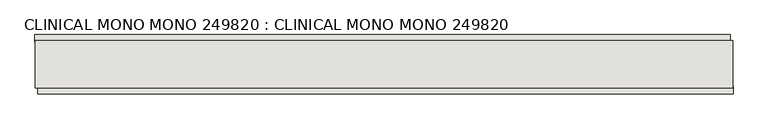
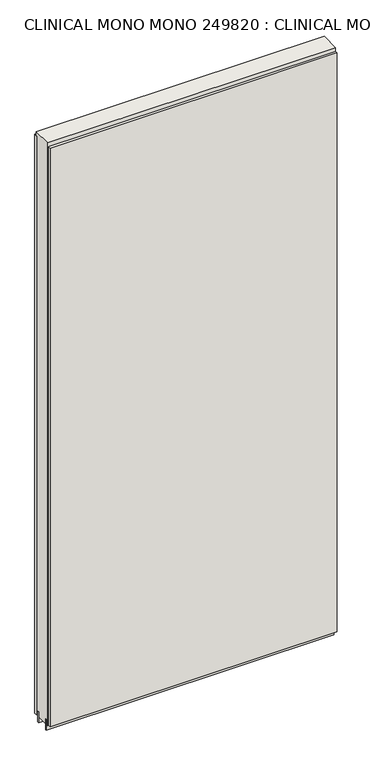
"""IFC4 building model written with IfcOpenShell, lengths in millimetres: wall geometry, CLINICAL MONO MONO 249820 : CLINICAL MONO MONO 249820."""

from ifc_helpers import new_model, si_unit, frame, origin, place, context, project, spatial, polyline, outline, extrude, source, transform, mapped, element, save


def clinical_mono_mono_249820_clinical_mono_mono_249820_4476c41d(model_context):
    return source(origin(), model_context, "Body", "SweptSolid", [
        extrude(outline(polyline([(89563.024328, -39319.3345692), (89565.564328, -39319.3345692), (89565.564328, -39321.8745692), (89563.024328, -39321.8745692), (89563.024328, -39319.3345692)])), frame((0.0, 0.0, 4419.6), z_axis=(0.0, 0.0, 1.0), x_axis=(1.0, 0.0, 0.0)), (0.0, 0.0, 1.0), 2.54),
        extrude(outline(polyline([(89566.0350408, -39371.4045692), (88371.1100748, -39371.4045692), (88371.1100748, -39358.7045692), (89566.0350408, -39358.7045692), (89566.0350408, -39371.4045692)])), frame((0.0, 0.0, 4445.0), z_axis=(0.0, 0.0, 1.0), x_axis=(1.0, 0.0, 0.0)), (0.0, 0.0, 1.0), 2545.0498756),
        extrude(outline(polyline([(88366.1739404, -39269.8045692), (89561.0989064, -39269.8045692), (89561.0989064, -39282.5045692), (88366.1739404, -39282.5045692), (88366.1739404, -39269.8045692)])), frame((0.0, 0.0, 4445.0), z_axis=(0.0, 0.0, 1.0), x_axis=(1.0, 0.0, 0.0)), (0.0, 0.0, 1.0), 2545.0498756),
        extrude(outline(polyline([(88366.6496062, -39345.6914126), (89565.5531774, -39345.6914126), (89565.5531774, -39350.7732668), (88366.6496062, -39350.7732668), (88366.6496062, -39345.6914126)])), frame((0.0, 0.0, 4418.6602), z_axis=(0.0, 0.0, 1.0), x_axis=(1.0, 0.0, 0.0)), (0.0, 0.0, 1.0), 47.625),
        extrude(outline(polyline([(88366.6496062, -39345.6914126), (89565.5531774, -39345.6914126), (89565.5531774, -39350.7732668), (88366.6496062, -39350.7732668), (88366.6496062, -39345.6914126)])), frame((0.0, 0.0, 4418.6602), z_axis=(0.0, 0.0, 1.0), x_axis=(1.0, 0.0, 0.0)), (0.0, 0.0, 1.0), 47.625),
        extrude(outline(polyline([(89565.5531774, -39295.5270222), (88366.6496062, -39295.5270222), (88366.6496062, -39290.4482668), (89565.5531774, -39290.4482668), (89565.5531774, -39295.5270222)])), frame((0.0, 0.0, 4418.6602), z_axis=(0.0, 0.0, 1.0), x_axis=(1.0, 0.0, 0.0)), (0.0, 0.0, 1.0), 47.625),
        extrude(outline(polyline([(89565.5531774, -39295.5270222), (88366.6496062, -39295.5270222), (88366.6496062, -39290.4482668), (89565.5531774, -39290.4482668), (89565.5531774, -39295.5270222)])), frame((0.0, 0.0, 4418.6602), z_axis=(0.0, 0.0, 1.0), x_axis=(1.0, 0.0, 0.0)), (0.0, 0.0, 1.0), 47.625),
        extrude(outline(polyline([(88366.6496062, -39361.2377366), (88366.6496062, -39279.9558824), (89565.5531774, -39279.9558824), (89565.5531774, -39361.2377366), (88366.6496062, -39361.2377366)])), frame((0.0, 0.0, 4445.0), z_axis=(0.0, 0.0, 1.0), x_axis=(1.0, 0.0, 0.0)), (0.0, 0.0, 1.0), 2562.4536762),
    ])


if __name__ == "__main__":
    model = new_model("IFC4")
    model_context = context("Model", 3, world=origin())
    ifc_project = project(units=[si_unit("LENGTHUNIT", "METRE", prefix="MILLI")], contexts=[model_context])
    site = spatial("IfcSite", under=ifc_project)
    building = spatial("IfcBuilding", under=site)
    placement = place(None, origin())
    clinical_mono_mono_249820_clinical_mono_mono_249820_shape = clinical_mono_mono_249820_clinical_mono_mono_249820_4476c41d(model_context)
    element("IfcWall", 1, ObjectType="CLINICAL MONO MONO 249820 : CLINICAL MONO MONO 249820", at=placement, inside=building, context=model_context, shape_type="MappedRepresentation", body=[
        mapped(clinical_mono_mono_249820_clinical_mono_mono_249820_shape, transform((0.0, 0.0, 0.0), x_axis=(1.0, 0.0, 0.0), y_axis=(0.0, 1.0, 0.0), z_axis=(0.0, 0.0, 1.0))),
    ])
    save(model, "model.ifc")
